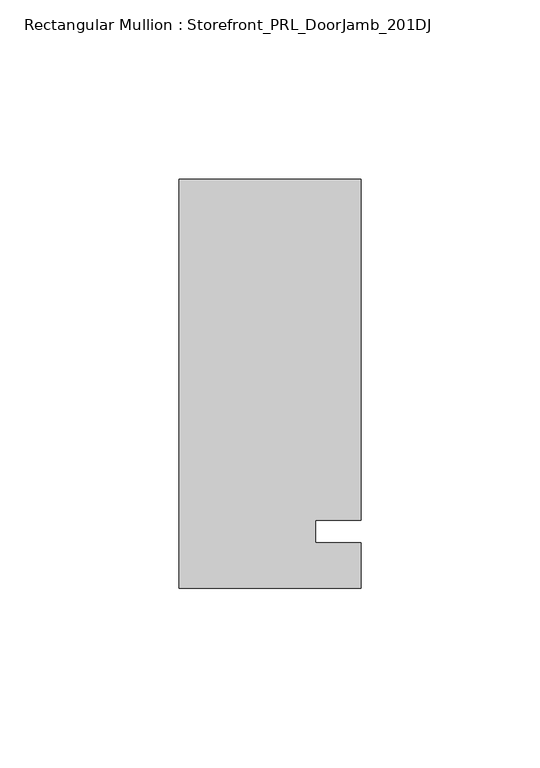
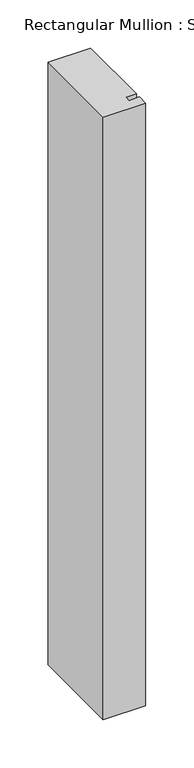
"""IFC4 building model written with IfcOpenShell, lengths in millimetres: member geometry, Rectangular Mullion : Storefront_PRL_DoorJamb_201DJ."""

from ifc_helpers import new_model, si_unit, frame, origin, place, context, project, spatial, polyline, outline, extrude, source, transform, mapped, element, save


def rectangular_mullion_storefront_prl_doorjamb_201dj_74763ab8(model_context):
    return source(origin(), model_context, "Body", "SweptSolid", [
        extrude(outline(polyline([(12.7, 3.175), (12.7, -3.175), (25.4, -3.175), (25.4, -15.875), (-25.4, -15.875), (-25.4, 98.425), (25.4, 98.425), (25.4, 3.175), (12.7, 3.175)])), frame((0.0, 0.0, -762.0), z_axis=(0.0, 0.0, 1.0), x_axis=(1.0, 0.0, 0.0)), (0.0, 0.0, 1.0), 762.0),
    ])


if __name__ == "__main__":
    model = new_model("IFC4")
    model_context = context("Model", 3, world=origin())
    ifc_project = project(units=[si_unit("LENGTHUNIT", "METRE", prefix="MILLI")], contexts=[model_context])
    site = spatial("IfcSite", under=ifc_project)
    building = spatial("IfcBuilding", under=site)
    placement = place(None, origin())
    rectangular_mullion_storefront_prl_doorjamb_201dj_shape = rectangular_mullion_storefront_prl_doorjamb_201dj_74763ab8(model_context)
    element("IfcMember", 1, ObjectType="Rectangular Mullion : Storefront_PRL_DoorJamb_201DJ", at=placement, inside=building, context=model_context, shape_type="MappedRepresentation", body=[
        mapped(rectangular_mullion_storefront_prl_doorjamb_201dj_shape, transform((0.0, 0.0, 0.0), x_axis=(1.0, 0.0, 0.0), y_axis=(0.0, 1.0, 0.0), z_axis=(0.0, 0.0, 1.0))),
    ])
    save(model, "model.ifc")
